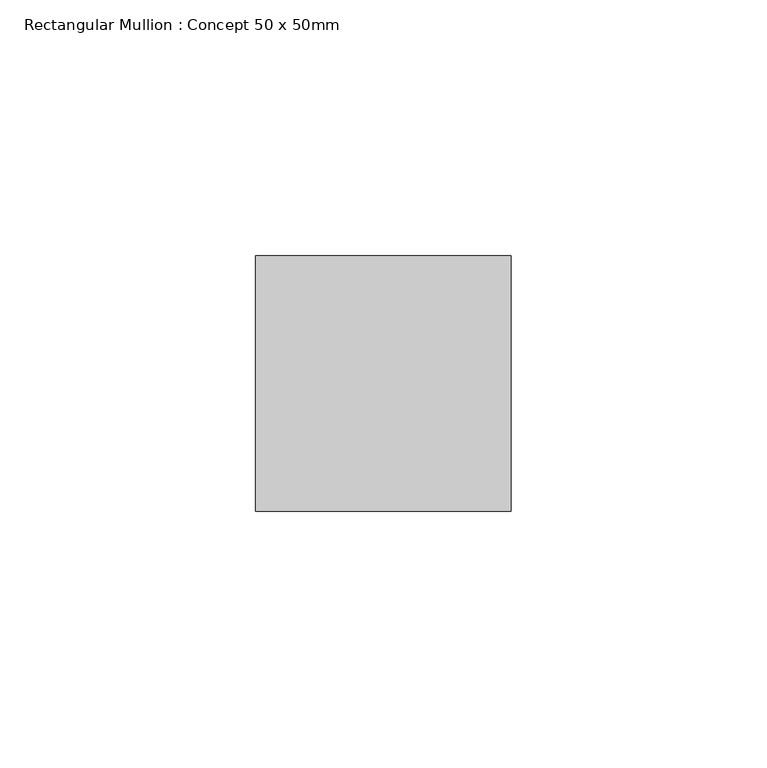
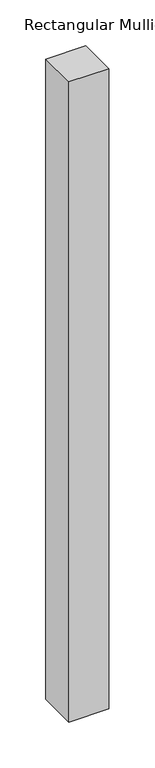
"""IFC4 building model written with IfcOpenShell, lengths in millimetres: member geometry, Rectangular Mullion : Concept 50 x 50mm."""

import ifcopenshell
import ifcopenshell.guid

model = None  # the IFC model being written
_history = None  # IfcOwnerHistory: only IFC2X3 demands one
_inside = {}  # id of a spatial element -> (the spatial element, [elements in it])
_under = {}  # id of a project, library or spatial element -> (it, [spatial elements below it])
_declared = {}  # id of a project -> (the project, [libraries it declares])
_typed = {}  # id of a type object -> (the type object, [elements of that type])
_made_of = {}  # id of a material, layer set ... -> (it, [elements and type objects made of it])


def new_model(schema):
    """Start an empty IFC model of exactly this schema.

    Asked for "IFC4X3", IfcOpenShell would pick the latest addendum, in which some entities
    have other attributes; the version numbers below select the first issue.
    IFC2X3 requires an IfcOwnerHistory on every rooted entity: one is made here for all.
    """
    global model, _history
    if schema == "IFC4X3":
        model = ifcopenshell.file(schema_version=(4, 3, 0, 0))
    else:
        model = ifcopenshell.file(schema=schema)
    _inside.clear()
    _under.clear()
    _declared.clear()
    _typed.clear()
    _made_of.clear()
    _history = None
    if model.schema == "IFC2X3":
        org = make("IfcOrganization", Name="unknown")
        user = make(
            "IfcPersonAndOrganization",
            ThePerson=make("IfcPerson", FamilyName="unknown"),
            TheOrganization=org,
        )
        app = make(
            "IfcApplication",
            ApplicationDeveloper=org,
            Version="unknown",
            ApplicationFullName="unknown",
            ApplicationIdentifier="unknown",
        )
        _history = make(
            "IfcOwnerHistory",
            OwningUser=user,
            OwningApplication=app,
            ChangeAction="ADDED",
            CreationDate=0,
        )
    return model


def make(cls, **values):
    """One entity of the class cls with the attributes given. An attribute that is None is left unset."""
    return model.create_entity(
        cls, **{name: value for name, value in values.items() if value is not None}
    )


def rooted(cls, **values):
    """An entity with a GlobalId (a new one), such as an element, a storey or a relation."""
    return make(cls, GlobalId=ifcopenshell.guid.new(), OwnerHistory=_history, **values)


def si_unit(unit_type, name, prefix=None):
    """IfcSIUnit, for example si_unit("LENGTHUNIT", "METRE", prefix="MILLI")."""
    return make("IfcSIUnit", UnitType=unit_type, Prefix=prefix, Name=name)


def assignment(units):
    """IfcUnitAssignment: the units of a project."""
    return None if units is None else make("IfcUnitAssignment", Units=units)


def point(xyz):
    """IfcCartesianPoint."""
    return None if xyz is None else make("IfcCartesianPoint", Coordinates=xyz)


def direction(xyz):
    """IfcDirection."""
    return None if xyz is None else make("IfcDirection", DirectionRatios=xyz)


def frame(location, z_axis=None, x_axis=None):
    """IfcAxis2Placement3D, a coordinate frame: its origin and axes. An axis left out is left unset."""
    return make(
        "IfcAxis2Placement3D",
        Location=point(location),
        Axis=direction(z_axis),
        RefDirection=direction(x_axis),
    )


def origin():
    """The frame at (0, 0, 0) with its axes left unset."""
    return frame((0.0, 0.0, 0.0))


def place(relative_to, where):
    """IfcLocalPlacement: puts the frame where relative to a parent placement (None: the world)."""
    return make(
        "IfcLocalPlacement", PlacementRelTo=relative_to, RelativePlacement=where
    )


def context(
    kind, dimensions, precision=None, world=None, true_north=None, identifier=None
):
    """IfcGeometricRepresentationContext, for example the 3D "Model" context."""
    return make(
        "IfcGeometricRepresentationContext",
        ContextIdentifier=identifier,
        ContextType=kind,
        CoordinateSpaceDimension=dimensions,
        Precision=precision,
        WorldCoordinateSystem=world,
        TrueNorth=true_north,
    )


def project(units=None, contexts=None):
    """IfcProject with its units and contexts."""
    return rooted(
        "IfcProject",
        Name="project",
        RepresentationContexts=contexts,
        UnitsInContext=assignment(units),
    )


def spatial(cls, under=None, at=None, **own):
    """A site, building, storey or space (cls), placed at a placement, below another one or the project."""
    s = rooted(cls, ObjectPlacement=at, **own)
    if under is not None:
        _under.setdefault(under.id(), (under, []))[1].append(s)
    return s


def polyline(points):
    """IfcPolyline through the points."""
    return make("IfcPolyline", Points=[point(p) for p in points])


def outline(outer, holes=None, kind="AREA"):
    """IfcArbitraryClosedProfileDef: a profile drawn as a closed curve; with holes, ...WithVoids."""
    if holes is None:
        return make("IfcArbitraryClosedProfileDef", ProfileType=kind, OuterCurve=outer)
    return make(
        "IfcArbitraryProfileDefWithVoids",
        ProfileType=kind,
        OuterCurve=outer,
        InnerCurves=holes,
    )


def extrude(swept, where, along, depth):
    """IfcExtrudedAreaSolid: the profile swept, set in the frame where, extruded along a direction by depth."""
    return make(
        "IfcExtrudedAreaSolid",
        SweptArea=swept,
        Position=where,
        ExtrudedDirection=direction(along),
        Depth=depth,
    )


def shape(context_of_items, identifier, shape_type, items):
    """IfcShapeRepresentation: the items that make up one representation, for example the "Body"."""
    return make(
        "IfcShapeRepresentation",
        ContextOfItems=context_of_items,
        RepresentationIdentifier=identifier,
        RepresentationType=shape_type,
        Items=items,
    )


def source(mapping_origin, context_of_items, identifier, shape_type, items):
    """IfcRepresentationMap: a shape defined once, which mapped items show again and again."""
    return make(
        "IfcRepresentationMap",
        MappingOrigin=mapping_origin,
        MappedRepresentation=shape(context_of_items, identifier, shape_type, items),
    )


def transform(
    local_origin,
    x_axis=None,
    y_axis=None,
    z_axis=None,
    scale=None,
    scale2=None,
    scale3=None,
    uniform=True,
):
    """IfcCartesianTransformationOperator3D, or its non-uniform kind. x_axis, y_axis, z_axis: its Axis1, 2, 3."""
    if uniform:
        return make(
            "IfcCartesianTransformationOperator3D",
            Axis1=direction(x_axis),
            Axis2=direction(y_axis),
            LocalOrigin=point(local_origin),
            Scale=scale,
            Axis3=direction(z_axis),
        )
    return make(
        "IfcCartesianTransformationOperator3DnonUniform",
        Axis1=direction(x_axis),
        Axis2=direction(y_axis),
        LocalOrigin=point(local_origin),
        Scale=scale,
        Axis3=direction(z_axis),
        Scale2=scale2,
        Scale3=scale3,
    )


def mapped(mapping_source, mapping_target):
    """IfcMappedItem: shows the shape of a source again, moved by a transform."""
    return make(
        "IfcMappedItem", MappingSource=mapping_source, MappingTarget=mapping_target
    )


def made_of(thing, what):
    """Note that an element or type object is made of a material, layer set ...; save() writes the relation."""
    if what is not None:
        _made_of.setdefault(what.id(), (what, []))[1].append(thing)
    return thing


def element(
    cls,
    number,
    at=None,
    inside=None,
    cuts=None,
    type_object=None,
    material=None,
    context=None,
    identifier="Body",
    shape_type=None,
    held_by="IfcProductDefinitionShape",
    body=None,
    shapes=None,
    **own,
):
    """One element of the class cls, such as IfcWall. Its Tag is "e" and its number.

    at: its placement. inside: the storey or other place that contains it. cuts: it is an
    opening in that element (IfcRelVoidsElement). A single representation is given by context,
    identifier, shape_type and body (its items); several are given by shapes. held_by: the class
    of the entity that holds the representations. save() writes the other relations.
    """
    e = rooted(cls, Tag="e%d" % number, ObjectPlacement=at, **own)
    if body is not None:
        shapes = [shape(context, identifier, shape_type, body)]
    if shapes is not None:
        e.Representation = make(held_by, Representations=shapes)
    if inside is not None:
        _inside.setdefault(inside.id(), (inside, []))[1].append(e)
    if cuts is not None:
        rooted(
            "IfcRelVoidsElement", RelatingBuildingElement=cuts, RelatedOpeningElement=e
        )
    if type_object is not None:
        _typed.setdefault(type_object.id(), (type_object, []))[1].append(e)
    return made_of(e, material)


def aggregate(whole, parts):
    """IfcRelAggregates: a whole, such as a stair, and the parts it consists of."""
    return rooted("IfcRelAggregates", RelatingObject=whole, RelatedObjects=parts)


def save(model, path):
    """Write the relations noted so far, then the file.

    IfcRelAggregates (storeys below a building ...), IfcRelContainedInSpatialStructure (elements
    in a storey), IfcRelDefinesByType, IfcRelAssociatesMaterial and IfcRelDeclares: one each for
    every whole, place, type object, material and project.
    """
    for whole, parts in _under.values():
        aggregate(whole, parts)
    for where, things in _inside.values():
        rooted(
            "IfcRelContainedInSpatialStructure",
            RelatedElements=things,
            RelatingStructure=where,
        )
    for kind, things in _typed.values():
        rooted("IfcRelDefinesByType", RelatedObjects=things, RelatingType=kind)
    for what, things in _made_of.values():
        rooted("IfcRelAssociatesMaterial", RelatedObjects=things, RelatingMaterial=what)
    for by, libraries in _declared.values():
        rooted("IfcRelDeclares", RelatingContext=by, RelatedDefinitions=libraries)
    model.write(path)


def rectangular_mullion_concept_50_x_50mm_28ba743a(model_context):
    return source(origin(), model_context, "Body", "SweptSolid", [
        extrude(outline(polyline([(25.0, 50.0), (25.0, 0.0), (-25.0, 0.0), (-25.0, 50.0), (25.0, 50.0)])), frame((0.0, 0.0, -850.0), z_axis=(0.0, 0.0, 1.0), x_axis=(1.0, 0.0, 0.0)), (0.0, 0.0, 1.0), 850.0),
    ])


if __name__ == "__main__":
    model = new_model("IFC4")
    model_context = context("Model", 3, world=origin())
    ifc_project = project(units=[si_unit("LENGTHUNIT", "METRE", prefix="MILLI")], contexts=[model_context])
    site = spatial("IfcSite", under=ifc_project)
    building = spatial("IfcBuilding", under=site)
    placement = place(None, origin())
    rectangular_mullion_concept_50_x_50mm_shape = rectangular_mullion_concept_50_x_50mm_28ba743a(model_context)
    element("IfcMember", 1, ObjectType="Rectangular Mullion : Concept 50 x 50mm", at=placement, inside=building, context=model_context, shape_type="MappedRepresentation", body=[
        mapped(rectangular_mullion_concept_50_x_50mm_shape, transform((0.0, 0.0, 0.0), x_axis=(1.0, 0.0, 0.0), y_axis=(0.0, 1.0, 0.0), z_axis=(0.0, 0.0, 1.0))),
    ])
    save(model, "model.ifc")
